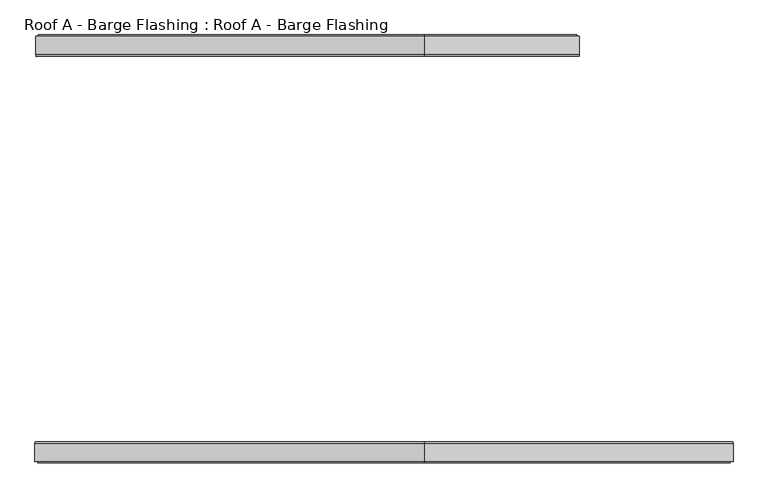
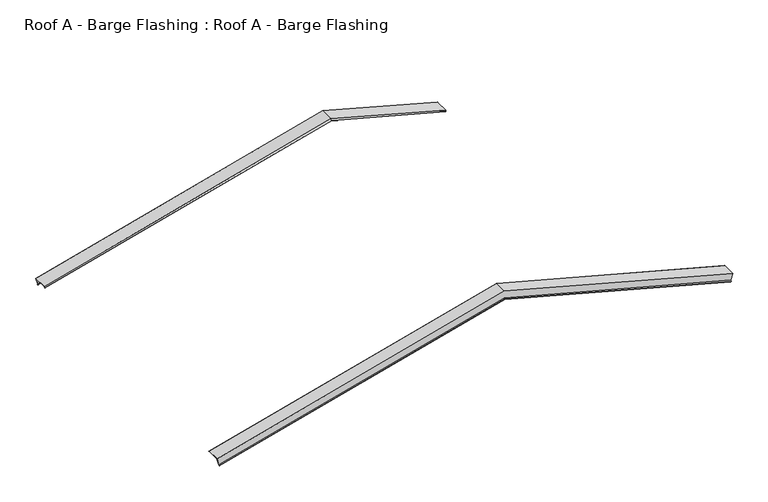
"""IFC4 building model written with IfcOpenShell, lengths in millimetres: proxy geometry, Roof A - Barge Flashing : Roof A - Barge Flashing."""

from ifc_helpers import new_model, si_unit, origin, place, context, project, spatial, faceted_brep, source, transform, mapped, element, save


def roof_a_barge_flashing_roof_a_barge_flashing_a2d4e434(model_context):
    return source(origin(), model_context, "Body", "Brep", [
        faceted_brep([(5490.8450047, 5051.1620222, 5751.4040697), (5490.8450047, 5292.8954809, 5751.4040697), (5460.2618558, 5292.8954809, 5637.2662041), (5456.7088081, 5306.623403, 5624.0060497), (5454.1466302, 5296.7239081, 5614.4438718), (5453.9636175, 5297.4310148, 5613.7608591), (5456.7088081, 5308.0376166, 5624.0060497), (5460.3690621, 5293.8954809, 5637.6663037), (5491.1038237, 5293.8954809, 5752.3699956), (5491.1038237, 5050.7478087, 5752.3699956), (5486.0709744, 5031.3023722, 5733.5871463), (5485.8879617, 5032.0094789, 5732.9041336), (3500.0, 5032.0094789, 6265.0212092), (3500.0, 5051.1620222, 6284.849381), (3500.0, 5031.3023722, 6265.75326), (3500.0, 5050.7478087, 6285.8846572), (3500.0, 5293.8954809, 6285.8846572), (3500.0, 5293.8954809, 6162.9456108), (-1449.9094945, 5293.8954809, 4836.6213591), (-1480.6442561, 5293.8954809, 4951.325051), (3500.0, 5308.0376166, 6148.3045946), (3500.0, 5297.4310148, 6137.3238325), (3500.0, 5296.7239081, 6138.0558833), (3500.0, 5306.623403, 6148.3045946), (3500.0, 5292.8954809, 6162.5167853), (3500.0, 5292.8954809, 6284.849381), (-1480.385437, 5292.8954809, 4950.3591251), (-1449.8022881, 5292.8954809, 4836.2212595), (-1480.385437, 5051.1620222, 4950.3591251), (-1475.4283941, 5032.0094789, 4931.859189), (-1475.6114068, 5031.3023722, 4932.5422017), (-1480.6442561, 5050.7478087, 4951.325051), (-1446.2492404, 5308.0376166, 4822.9611051), (-1443.5040499, 5297.4310148, 4812.7159145), (-1443.6870626, 5296.7239081, 4813.3989272), (-1446.2492404, 5306.623403, 4822.9611051)], [[[0, 1, 2, 3, 4, 5, 6, 7, 8, 9, 10, 11]], [[0, 11, 12, 13]], [[11, 10, 14, 12]], [[10, 9, 15, 14]], [[9, 8, 16, 15]], [[8, 7, 17, 18, 19, 16]], [[7, 6, 20, 17]], [[6, 5, 21, 20]], [[5, 4, 22, 21]], [[4, 3, 23, 22]], [[3, 2, 24, 23]], [[2, 1, 25, 26, 27, 24]], [[1, 0, 13, 25]], [[28, 29, 30, 31, 19, 18, 32, 33, 34, 35, 27, 26]], [[12, 14, 30, 29]], [[15, 16, 19, 31]], [[17, 20, 32, 18]], [[20, 21, 33, 32]], [[21, 22, 34, 33]], [[22, 23, 35, 34]], [[23, 24, 27, 35]], [[25, 13, 28, 26]], [[13, 12, 29, 28]], [[14, 15, 31, 30]]]),
        faceted_brep([(7461.3336903, 67.3456317, 5223.4132177), (7456.3766473, 86.4981749, 5204.9132816), (7456.55966, 87.2052817, 5205.5962943), (7461.5925093, 67.7598452, 5224.3791436), (7461.5925093, -167.8878271, 5224.3791436), (7430.8577477, -167.8878271, 5109.6754517), (7427.1974937, -182.0299627, 5096.0151976), (7424.4523032, -171.423361, 5085.7700071), (7424.6353159, -170.7162542, 5086.4530198), (7427.1974937, -180.6157491, 5096.0151976), (7430.7505414, -166.8878271, 5109.2753521), (7461.3336903, -166.8878271, 5223.4132177), (3500.0, 67.3456317, 6284.849381), (3500.0, 86.4981749, 6265.0212092), (3500.0, 87.2052817, 6265.75326), (3500.0, 67.7598452, 6285.8846572), (3500.0, -167.8878271, 6285.8846572), (-1490.3035143, -167.8878271, 4948.7368605), (-1459.5687527, -167.8878271, 4834.0331687), (3500.0, -167.8878271, 6162.9456108), (3500.0, -182.0299627, 6148.3045946), (3500.0, -171.423361, 6137.3238325), (3500.0, -170.7162542, 6138.0558833), (3500.0, -180.6157491, 6148.3045946), (3500.0, -166.8878271, 6162.5167853), (-1459.4615464, -166.8878271, 4833.6330691), (-1490.0446953, -166.8878271, 4947.7709347), (3500.0, -166.8878271, 6284.849381), (-1490.0446953, 67.3456317, 4947.7709347), (-1455.9084987, -180.6157491, 4820.3729146), (-1453.3463209, -170.7162542, 4810.8107368), (-1453.1633082, -171.423361, 4810.1277241), (-1455.9084987, -182.0299627, 4820.3729146), (-1490.3035143, 67.7598452, 4948.7368605), (-1485.270665, 87.2052817, 4929.9540112), (-1485.0876523, 86.4981749, 4929.2709985)], [[[0, 1, 2, 3, 4, 5, 6, 7, 8, 9, 10, 11]], [[1, 0, 12, 13]], [[2, 1, 13, 14]], [[3, 2, 14, 15]], [[4, 3, 15, 16]], [[5, 4, 16, 17, 18, 19]], [[6, 5, 19, 20]], [[7, 6, 20, 21]], [[8, 7, 21, 22]], [[9, 8, 22, 23]], [[10, 9, 23, 24]], [[11, 10, 24, 25, 26, 27]], [[0, 11, 27, 12]], [[28, 26, 25, 29, 30, 31, 32, 18, 17, 33, 34, 35]], [[14, 13, 35, 34]], [[16, 15, 33, 17]], [[20, 19, 18, 32]], [[21, 20, 32, 31]], [[22, 21, 31, 30]], [[23, 22, 30, 29]], [[24, 23, 29, 25]], [[12, 27, 26, 28]], [[13, 12, 28, 35]], [[15, 14, 34, 33]]]),
    ])


if __name__ == "__main__":
    model = new_model("IFC4")
    model_context = context("Model", 3, world=origin())
    ifc_project = project(units=[si_unit("LENGTHUNIT", "METRE", prefix="MILLI")], contexts=[model_context])
    site = spatial("IfcSite", under=ifc_project)
    building = spatial("IfcBuilding", under=site)
    placement = place(None, origin())
    roof_a_barge_flashing_roof_a_barge_flashing_shape = roof_a_barge_flashing_roof_a_barge_flashing_a2d4e434(model_context)
    element("IfcBuildingElementProxy", 1, Name="Roof A - Barge Flashing : Roof A - Barge Flashing", ObjectType="Roof A - Barge Flashing : Roof A - Barge Flashing", at=placement, inside=building, context=model_context, shape_type="MappedRepresentation", body=[
        mapped(roof_a_barge_flashing_roof_a_barge_flashing_shape, transform((0.0, 0.0, 0.0), x_axis=(1.0, 0.0, 0.0), y_axis=(0.0, 1.0, 0.0), z_axis=(0.0, 0.0, 1.0))),
    ])
    save(model, "model.ifc")
